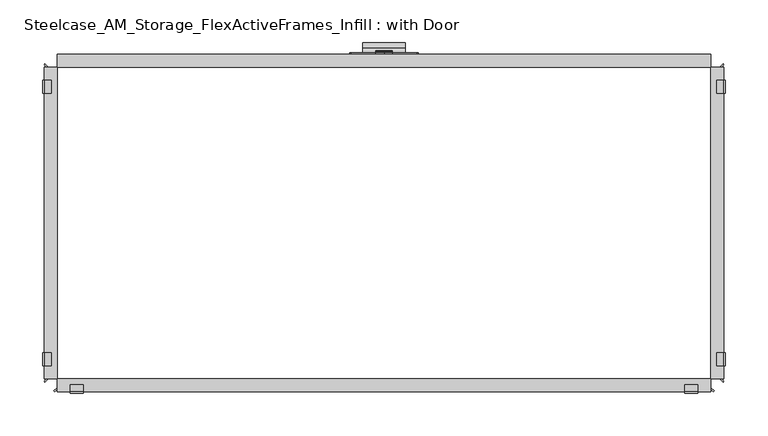
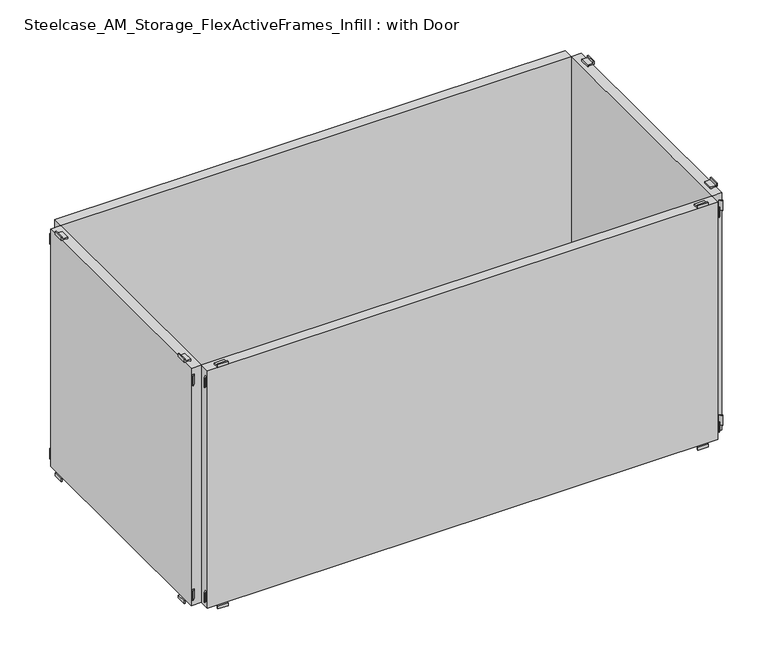
"""IFC4 building model written with IfcOpenShell, lengths in millimetres: furniture geometry, Steelcase_AM_Storage_FlexActiveFrames_Infill : with Door."""

from ifc_helpers import new_model, si_unit, point, frame, frame_2d, origin, place, context, project, spatial, polyline, circle_curve, trimmed, segment, composite_curve, outline, extrude, source, transform, mapped, element, save
from ifc_brep_helpers import plane_surface, cylinder_surface, revolved_surface, advanced_brep


def steelcase_am_storage_flexactiveframes_infill_with_door_a433a0ef(model_context):
    return source(origin(), model_context, "Body", "SolidModel", [
        extrude(outline(composite_curve([segment(polyline([(152.5718006, 396.8746488), (150.3317189, 396.8746488)]), True, "CONTINUOUS"), segment(trimmed(circle_curve(frame_2d((150.3317189, 398.3986488)), 1.524), [point((150.3317189, 396.8746488))], [point((148.8077189, 398.3986488))], False, "CARTESIAN"), True, "CONTINUOUS"), segment(polyline([(148.8077189, 398.3986488), (148.8077189, 401.7013512)]), True, "CONTINUOUS"), segment(trimmed(circle_curve(frame_2d((150.3317189, 401.7013512)), 1.524), [point((148.8077189, 401.7013512))], [point((150.3317189, 403.2253512))], False, "CARTESIAN"), True, "CONTINUOUS"), segment(polyline([(150.3317189, 403.2253512), (152.5718006, 403.2253512)]), True, "CONTINUOUS"), segment(trimmed(circle_curve(frame_2d((161.5079853, 400.05)), 9.4835781), [point((152.5718006, 403.2253512))], [point((170.4441701, 403.2253512))], False, "CARTESIAN"), True, "CONTINUOUS"), segment(polyline([(170.4441701, 403.2253512), (172.6842518, 403.2253512)]), True, "CONTINUOUS"), segment(trimmed(circle_curve(frame_2d((172.6842518, 401.7013512)), 1.524), [point((172.6842518, 403.2253512))], [point((174.2082518, 401.7013512))], False, "CARTESIAN"), True, "CONTINUOUS"), segment(polyline([(174.2082518, 401.7013512), (174.2082518, 398.3986488)]), True, "CONTINUOUS"), segment(trimmed(circle_curve(frame_2d((172.6842518, 398.3986488)), 1.524), [point((174.2082518, 398.3986488))], [point((172.6842518, 396.8746488))], False, "CARTESIAN"), True, "CONTINUOUS"), segment(polyline([(172.6842518, 396.8746488), (170.4441701, 396.8746488)]), True, "CONTINUOUS"), segment(trimmed(circle_curve(frame_2d((161.5079853, 400.05)), 9.4835781), [point((170.4441701, 396.8746488))], [point((152.5718006, 396.8746488))], False, "CARTESIAN"), True, "CONTINUOUS")], self_intersect=False)), frame((0.0, 400.6849803, 0.0), z_axis=(0.0, 1.0, 0.0), x_axis=(0.0, 0.0, 1.0)), (0.0, 0.0, 1.0), 0.762),
        advanced_brep(
        [(400.05, 397.51, 151.1069002), (400.05, 397.51, 161.5079853), (400.05, 397.51, 171.9090704), (400.05, 399.0335313, 152.3124153), (400.05, 399.0335313, 170.7035554), (400.05, 399.0335313, 155.2647804), (400.05, 399.0335313, 167.7511903), (400.05, 399.7959797, 152.0244072), (400.05, 399.7959797, 170.9915634), (400.05, 400.6849803, 152.0244072), (400.05, 400.6849803, 170.9915634), (400.05, 400.6849803, 161.5079853)],
        [
            (0, 1),
            (1, 2),
            (2, 0, circle_curve(frame((400.05, 397.51, 161.5079853), z_axis=(0.0, -1.0, 0.0), x_axis=(0.0, 0.0, 1.0)), 10.4010851)),
            (0, 2, circle_curve(frame((400.05, 397.51, 161.5079853), z_axis=(0.0, -1.0, 0.0), x_axis=(0.0, 0.0, 1.0)), 10.4010851)),
            (3, 0),
            (2, 4),
            (4, 3, circle_curve(frame((400.05, 399.0335313, 161.5079853), z_axis=(0.0, -1.0, 0.0), x_axis=(0.0, 0.0, 1.0)), 9.19557)),
            (3, 4, circle_curve(frame((400.05, 399.0335313, 161.5079853), z_axis=(0.0, -1.0, 0.0), x_axis=(0.0, 0.0, 1.0)), 9.19557)),
            (5, 3),
            (4, 6),
            (6, 5, circle_curve(frame((400.05, 399.0335313, 161.5079853), z_axis=(0.0, -1.0, 0.0), x_axis=(0.0, 0.0, 1.0)), 6.243205)),
            (5, 6, circle_curve(frame((400.05, 399.0335313, 161.5079853), z_axis=(0.0, -1.0, 0.0), x_axis=(0.0, 0.0, 1.0)), 6.243205)),
            (7, 5),
            (6, 8),
            (8, 7, circle_curve(frame((400.05, 399.7959797, 161.5079853), z_axis=(0.0, -1.0, 0.0), x_axis=(0.0, 0.0, 1.0)), 9.4835781)),
            (7, 8, circle_curve(frame((400.05, 399.7959797, 161.5079853), z_axis=(0.0, -1.0, 0.0), x_axis=(0.0, 0.0, 1.0)), 9.4835781)),
            (9, 7),
            (8, 10),
            (10, 9, circle_curve(frame((400.05, 400.6849803, 161.5079853), z_axis=(0.0, -1.0, 0.0), x_axis=(0.0, 0.0, 1.0)), 9.4835781)),
            (9, 10, circle_curve(frame((400.05, 400.6849803, 161.5079853), z_axis=(0.0, -1.0, 0.0), x_axis=(0.0, 0.0, 1.0)), 9.4835781)),
            (11, 9),
            (10, 11),
        ],
        [
            plane_surface(frame((400.05, 397.51, 161.5079853), z_axis=(0.0, -1.0, 0.0), x_axis=(0.0, 0.0, 1.0))),
            revolved_surface(polyline([(400.05, 397.51, 171.9090704), (400.05, 399.0335313, 170.7035554)]), (400.05, 386.0294251, 161.5079853), (0.0, 1.0, 0.0)),
            plane_surface(frame((400.05, 399.0335313, 161.5079853), z_axis=(0.0, 1.0, 0.0), x_axis=(0.0, 0.0, 1.0))),
            revolved_surface(polyline([(400.05, 399.0335313, 167.7511903), (400.05, 399.7959797, 170.9915634)]), (400.05, 386.0294251, 161.5079853), (0.0, 1.0, 0.0)),
            cylinder_surface(frame((400.05, 386.0294251, 161.5079853), z_axis=(0.0, 1.0, 0.0), x_axis=(0.0, 0.0, 1.0)), 9.4835781),
            plane_surface(frame((400.05, 400.6849803, 161.5079853), z_axis=(0.0, 1.0, 0.0), x_axis=(0.0, 0.0, 1.0))),
        ],
        [
            (0, [[1, 2, 3]]),
            (0, [[-2, -1, 4]]),
            (1, [[5, -3, 6, 7]]),
            (1, [[-6, -4, -5, 8]]),
            (2, [[9, -7, 10, 11]]),
            (2, [[-10, -8, -9, 12]]),
            (3, [[13, -11, 14, 15]]),
            (3, [[-14, -12, -13, 16]]),
            (4, [[17, -15, 18, 19]]),
            (4, [[-18, -16, -17, 20]]),
            (5, [[21, -19, 22]]),
            (5, [[-22, -20, -21]]),
        ],
    ),
        advanced_brep(
        [(438.5254965, 399.034, 135.2296), (440.0494965, 399.034, 133.7056), (440.0494965, 399.034, 121.5136), (360.0494862, 399.034, 121.5136), (360.0494862, 399.034, 133.7056), (361.5734862, 399.034, 135.2296), (438.5254965, 397.51, 135.2296), (361.5734862, 397.51, 135.2296), (360.0494862, 397.51, 133.7056), (360.0494862, 397.51, 121.5136), (440.0494965, 397.51, 121.5136), (440.0494965, 397.51, 133.7056), (360.0494862, 397.51, 119.9896), (360.0494862, 382.27, 119.9896), (360.0494862, 382.27, 121.5136), (440.0494965, 382.27, 121.5136), (440.0494965, 382.27, 119.9896), (440.0494965, 397.51, 119.9896)],
        [
            (0, 1, circle_curve(frame((438.5254965, 399.034, 133.7056), z_axis=(0.0, 1.0, 0.0), x_axis=(1.0, 0.0, 0.0)), 1.524)),
            (1, 2),
            (2, 3),
            (3, 4),
            (4, 5, circle_curve(frame((361.5734862, 399.034, 133.7056), z_axis=(0.0, 1.0, 0.0), x_axis=(1.0, 0.0, 0.0)), 1.524)),
            (5, 0),
            (6, 7),
            (7, 8, circle_curve(frame((361.5734862, 397.51, 133.7056), z_axis=(0.0, -1.0, 0.0), x_axis=(1.0, 0.0, 0.0)), 1.524)),
            (8, 9),
            (9, 10),
            (10, 11),
            (11, 6, circle_curve(frame((438.5254965, 397.51, 133.7056), z_axis=(0.0, -1.0, 0.0), x_axis=(1.0, 0.0, 0.0)), 1.524)),
            (5, 7),
            (6, 0),
            (4, 8),
            (3, 12, circle_curve(frame((360.0494862, 397.51, 121.5136), z_axis=(-1.0, 0.0, 0.0), x_axis=(0.0, -1.0, 0.0)), 1.524)),
            (12, 13),
            (13, 14),
            (14, 9),
            (1, 11),
            (10, 15),
            (15, 16),
            (16, 17),
            (17, 2, circle_curve(frame((440.0494965, 397.51, 121.5136), z_axis=(1.0, 0.0, 0.0), x_axis=(0.0, -1.0, 0.0)), 1.524)),
            (16, 13),
            (12, 17),
            (15, 14),
        ],
        [
            plane_surface(frame((361.5734862, 399.034, 135.2296), z_axis=(0.0, 1.0, 0.0), x_axis=(-1.0, 0.0, 0.0))),
            plane_surface(frame((361.5734862, 397.51, 135.2296), z_axis=(0.0, -1.0, 0.0), x_axis=(1.0, 0.0, 0.0))),
            plane_surface(frame((438.5254965, 399.034, 135.2296), z_axis=(0.0, 0.0, 1.0), x_axis=(0.0, -1.0, 0.0))),
            cylinder_surface(frame((361.5734862, 397.51, 133.7056), z_axis=(0.0, 1.0, 0.0), x_axis=(1.0, 0.0, 0.0)), 1.524),
            plane_surface(frame((360.0494862, 399.034, 133.7056), z_axis=(-1.0, 0.0, 0.0), x_axis=(0.0, -1.0, 0.0))),
            plane_surface(frame((440.0494965, 399.034, 123.0376), z_axis=(1.0, 0.0, 0.0), x_axis=(0.0, -1.0, 0.0))),
            cylinder_surface(frame((438.5254965, 397.51, 133.7056), z_axis=(0.0, 1.0, 0.0), x_axis=(1.0, 0.0, 0.0)), 1.524),
            plane_surface(frame((440.0494965, 397.51, 119.9896), z_axis=(0.0, 0.0, -1.0), x_axis=(-1.0, 0.0, 0.0))),
            plane_surface(frame((440.0494965, 382.27, 119.9896), z_axis=(0.0, -1.0, 0.0), x_axis=(-1.0, 0.0, 0.0))),
            plane_surface(frame((440.0494965, 382.27, 121.5136), z_axis=(0.0, 0.0, 1.0), x_axis=(-1.0, 0.0, 0.0))),
            cylinder_surface(frame((360.0494862, 397.51, 121.5136), z_axis=(1.0, 0.0, 0.0), x_axis=(0.0, -1.0, 0.0)), 1.524),
        ],
        [
            (0, [[1, 2, 3, 4, 5, 6]]),
            (1, [[7, 8, 9, 10, 11, 12]]),
            (2, [[13, -7, 14, -6]]),
            (3, [[15, -8, -13, -5]]),
            (4, [[16, 17, 18, 19, -9, -15, -4]]),
            (5, [[20, -11, 21, 22, 23, 24, -2]]),
            (6, [[-14, -12, -20, -1]]),
            (7, [[25, -17, 26, -23]]),
            (8, [[27, -18, -25, -22]]),
            (9, [[-10, -19, -27, -21]]),
            (10, [[-26, -16, -3, -24]]),
        ],
    ),
        extrude(outline(composite_curve([segment(polyline([(399.034, 129.7528311), (399.034, 131.6608068)]), True, "CONTINUOUS"), segment(trimmed(circle_curve(frame_2d((399.3330542, 125.2742816)), 6.3935231), [point((399.034, 131.6608068))], [point((404.4176446, 129.1503721))], False, "CARTESIAN"), True, "CONTINUOUS"), segment(trimmed(circle_curve(frame_2d((376.5973715, 107.9423915)), 34.9820816), [point((404.4176446, 129.1503721))], [point((410.6266598, 116.0512493))], False, "CARTESIAN"), True, "CONTINUOUS"), segment(trimmed(circle_curve(frame_2d((405.3950826, 114.8046139)), 5.3780573), [point((410.6266598, 116.0512493))], [point((406.1001071, 109.4729687))], False, "CARTESIAN"), True, "CONTINUOUS"), segment(trimmed(circle_curve(frame_2d((405.7469426, 112.1437242)), 2.6940045), [point((406.1001071, 109.4729687))], [point((403.4639399, 110.7134937))], False, "CARTESIAN"), True, "CONTINUOUS"), segment(trimmed(circle_curve(frame_2d((432.7352012, 129.0510324)), 34.5408752), [point((403.4639399, 110.7134937))], [point((399.5684276, 119.4054535))], False, "CARTESIAN"), True, "CONTINUOUS"), segment(trimmed(circle_curve(frame_2d((403.0105921, 120.4065056)), 3.5847736), [point((399.5684276, 119.4054535))], [point((400.5300937, 122.9945028))], False, "CARTESIAN"), True, "CONTINUOUS"), segment(trimmed(circle_curve(frame_2d((399.159917, 124.4240597)), 1.9801559), [point((400.5300937, 122.9945028))], [point((399.034, 126.400208))], True, "CARTESIAN"), True, "CONTINUOUS"), segment(polyline([(399.034, 126.400208), (399.034, 128.3071746)]), True, "CONTINUOUS"), segment(trimmed(circle_curve(frame_2d((399.159917, 124.4240597)), 3.8851559), [point((399.034, 128.3071746))], [point((401.8482661, 121.6192041))], False, "CARTESIAN"), True, "CONTINUOUS"), segment(trimmed(circle_curve(frame_2d((403.0105921, 120.4065056)), 1.6797736), [point((401.8482661, 121.6192041))], [point((401.3976431, 119.9374269))], True, "CARTESIAN"), True, "CONTINUOUS"), segment(trimmed(circle_curve(frame_2d((432.7352012, 129.0510324)), 32.6358752), [point((401.3976431, 119.9374269))], [point((405.0783099, 111.7248465))], True, "CARTESIAN"), True, "CONTINUOUS"), segment(trimmed(circle_curve(frame_2d((405.7469426, 112.1437242)), 0.7890045), [point((405.0783099, 111.7248465))], [point((405.8503754, 111.3615287))], True, "CARTESIAN"), True, "CONTINUOUS"), segment(trimmed(circle_curve(frame_2d((405.3950826, 114.8046139)), 3.4730573), [point((405.8503754, 111.3615287))], [point((408.7735456, 115.6096697))], True, "CARTESIAN"), True, "CONTINUOUS"), segment(trimmed(circle_curve(frame_2d((376.5973715, 107.9423915)), 33.0770816), [point((408.7735456, 115.6096697))], [point((402.9026513, 127.9954607))], True, "CARTESIAN"), True, "CONTINUOUS"), segment(trimmed(circle_curve(frame_2d((399.3330542, 125.2742816)), 4.4885231), [point((402.9026513, 127.9954607))], [point((399.034, 129.7528311))], True, "CARTESIAN"), True, "CONTINUOUS")], self_intersect=False)), frame((375.0708803, 0.0, 0.0), z_axis=(1.0, 0.0, 0.0), x_axis=(0.0, 1.0, 0.0)), (0.0, 0.0, 1.0), 49.9787862),
        extrude(outline(polyline([(782.32, 397.51), (782.32, 382.27), (17.78, 382.27), (17.78, 397.51), (782.32, 397.51)])), frame((0.0, 0.0, 121.5136), z_axis=(0.0, 0.0, 1.0), x_axis=(1.0, 0.0, 0.0)), (0.0, 0.0, 1.0), 375.92),
        extrude(outline(polyline([(794.8923586, 382.27), (792.7370971, 382.27), (796.4697138, 386.0026167), (797.5473445, 384.924986), (794.8923586, 382.27)])), frame((0.0, 0.0, 472.0336), z_axis=(0.0, 0.0, 1.0), x_axis=(1.0, 0.0, 0.0)), (0.0, 0.0, 1.0), 15.24),
        extrude(outline(polyline([(794.8923586, 17.78), (797.5473445, 15.125014), (796.4697138, 14.0473833), (792.7370971, 17.78), (794.8923586, 17.78)])), frame((0.0, 0.0, 472.0336), z_axis=(0.0, 0.0, 1.0), x_axis=(1.0, 0.0, 0.0)), (0.0, 0.0, 1.0), 15.24),
        extrude(outline(polyline([(794.8923586, 382.27), (792.7370971, 382.27), (796.4697138, 386.0026167), (797.5473445, 384.924986), (794.8923586, 382.27)])), frame((0.0, 0.0, 131.6736), z_axis=(0.0, 0.0, 1.0), x_axis=(1.0, 0.0, 0.0)), (0.0, 0.0, 1.0), 15.24),
        extrude(outline(polyline([(794.8923586, 17.78), (797.5473445, 15.125014), (796.4697138, 14.0473833), (792.7370971, 17.78), (794.8923586, 17.78)])), frame((0.0, 0.0, 131.6736), z_axis=(0.0, 0.0, 1.0), x_axis=(1.0, 0.0, 0.0)), (0.0, 0.0, 1.0), 15.24),
        extrude(outline(polyline([(503.0770636, 797.56), (499.9736, 797.56), (499.9736, 789.178), (497.4336, 789.178), (497.4336, 790.702), (498.4496, 790.702), (498.4496, 799.084), (503.0770636, 799.084), (503.0770636, 797.56)])), frame((0.0, 33.02, 0.0), z_axis=(0.0, 1.0, 0.0), x_axis=(0.0, 0.0, 1.0)), (0.0, 0.0, 1.0), 15.24),
        extrude(outline(polyline([(115.8701364, 797.56), (115.8701364, 799.084), (120.4976, 799.084), (120.4976, 790.702), (121.5136, 790.702), (121.5136, 789.178), (118.9736, 789.178), (118.9736, 797.56), (115.8701364, 797.56)])), frame((0.0, 33.02, 0.0), z_axis=(0.0, 1.0, 0.0), x_axis=(0.0, 0.0, 1.0)), (0.0, 0.0, 1.0), 15.24),
        extrude(outline(polyline([(503.0770636, 797.56), (499.9736, 797.56), (499.9736, 789.178), (497.4336, 789.178), (497.4336, 790.702), (498.4496, 790.702), (498.4496, 799.084), (503.0770636, 799.084), (503.0770636, 797.56)])), frame((0.0, 351.79, 0.0), z_axis=(0.0, 1.0, 0.0), x_axis=(0.0, 0.0, 1.0)), (0.0, 0.0, 1.0), 15.24),
        extrude(outline(polyline([(115.8701364, 797.56), (115.8701364, 799.084), (120.4976, 799.084), (120.4976, 790.702), (121.5136, 790.702), (121.5136, 789.178), (118.9736, 789.178), (118.9736, 797.56), (115.8701364, 797.56)])), frame((0.0, 351.79, 0.0), z_axis=(0.0, 1.0, 0.0), x_axis=(0.0, 0.0, 1.0)), (0.0, 0.0, 1.0), 15.24),
        extrude(outline(polyline([(782.32, 17.78), (782.32, 382.27), (797.56, 382.27), (797.56, 17.78), (782.32, 17.78)])), frame((0.0, 0.0, 121.5136), z_axis=(0.0, 0.0, 1.0), x_axis=(1.0, 0.0, 0.0)), (0.0, 0.0, 1.0), 375.92),
        extrude(outline(polyline([(5.2076414, 382.27), (2.5526555, 384.924986), (3.6302862, 386.0026167), (7.3629029, 382.27), (5.2076414, 382.27)])), frame((0.0, 0.0, 472.0336), z_axis=(0.0, 0.0, 1.0), x_axis=(1.0, 0.0, 0.0)), (0.0, 0.0, 1.0), 15.24),
        extrude(outline(polyline([(5.2076414, 17.78), (7.3629029, 17.78), (3.6302862, 14.0473833), (2.5526555, 15.125014), (5.2076414, 17.78)])), frame((0.0, 0.0, 472.0336), z_axis=(0.0, 0.0, 1.0), x_axis=(1.0, 0.0, 0.0)), (0.0, 0.0, 1.0), 15.24),
        extrude(outline(polyline([(5.2076414, 382.27), (2.5526555, 384.924986), (3.6302862, 386.0026167), (7.3629029, 382.27), (5.2076414, 382.27)])), frame((0.0, 0.0, 131.6736), z_axis=(0.0, 0.0, 1.0), x_axis=(1.0, 0.0, 0.0)), (0.0, 0.0, 1.0), 15.24),
        extrude(outline(polyline([(5.2076414, 17.78), (7.3629029, 17.78), (3.6302862, 14.0473833), (2.5526555, 15.125014), (5.2076414, 17.78)])), frame((0.0, 0.0, 131.6736), z_axis=(0.0, 0.0, 1.0), x_axis=(1.0, 0.0, 0.0)), (0.0, 0.0, 1.0), 15.24),
        extrude(outline(polyline([(503.0770636, 2.54), (503.0770636, 1.016), (498.4496, 1.016), (498.4496, 9.398), (497.4336, 9.398), (497.4336, 10.922), (499.9736, 10.922), (499.9736, 2.54), (503.0770636, 2.54)])), frame((0.0, 33.02, 0.0), z_axis=(0.0, 1.0, 0.0), x_axis=(0.0, 0.0, 1.0)), (0.0, 0.0, 1.0), 15.24),
        extrude(outline(polyline([(115.8701364, 2.54), (118.9736, 2.54), (118.9736, 10.922), (121.5136, 10.922), (121.5136, 9.398), (120.4976, 9.398), (120.4976, 1.016), (115.8701364, 1.016), (115.8701364, 2.54)])), frame((0.0, 33.02, 0.0), z_axis=(0.0, 1.0, 0.0), x_axis=(0.0, 0.0, 1.0)), (0.0, 0.0, 1.0), 15.24),
        extrude(outline(polyline([(503.0770636, 2.54), (503.0770636, 1.016), (498.4496, 1.016), (498.4496, 9.398), (497.4336, 9.398), (497.4336, 10.922), (499.9736, 10.922), (499.9736, 2.54), (503.0770636, 2.54)])), frame((0.0, 351.79, 0.0), z_axis=(0.0, 1.0, 0.0), x_axis=(0.0, 0.0, 1.0)), (0.0, 0.0, 1.0), 15.24),
        extrude(outline(polyline([(115.8701364, 2.54), (118.9736, 2.54), (118.9736, 10.922), (121.5136, 10.922), (121.5136, 9.398), (120.4976, 9.398), (120.4976, 1.016), (115.8701364, 1.016), (115.8701364, 2.54)])), frame((0.0, 351.79, 0.0), z_axis=(0.0, 1.0, 0.0), x_axis=(0.0, 0.0, 1.0)), (0.0, 0.0, 1.0), 15.24),
        extrude(outline(polyline([(17.78, 17.78), (2.54, 17.78), (2.54, 382.27), (17.78, 382.27), (17.78, 17.78)])), frame((0.0, 0.0, 121.5136), z_axis=(0.0, 0.0, 1.0), x_axis=(1.0, 0.0, 0.0)), (0.0, 0.0, 1.0), 375.92),
        extrude(outline(polyline([(17.78, 5.2076414), (15.125014, 2.5526555), (14.0473833, 3.6302862), (17.78, 7.3629029), (17.78, 5.2076414)])), frame((0.0, 0.0, 472.0336), z_axis=(0.0, 0.0, 1.0), x_axis=(1.0, 0.0, 0.0)), (0.0, 0.0, 1.0), 15.24),
        extrude(outline(polyline([(782.32, 5.2076414), (782.32, 7.3629029), (786.0526167, 3.6302862), (784.974986, 2.5526555), (782.32, 5.2076414)])), frame((0.0, 0.0, 472.0336), z_axis=(0.0, 0.0, 1.0), x_axis=(1.0, 0.0, 0.0)), (0.0, 0.0, 1.0), 15.24),
        extrude(outline(polyline([(17.78, 5.2076414), (15.125014, 2.5526555), (14.0473833, 3.6302862), (17.78, 7.3629029), (17.78, 5.2076414)])), frame((0.0, 0.0, 131.6736), z_axis=(0.0, 0.0, 1.0), x_axis=(1.0, 0.0, 0.0)), (0.0, 0.0, 1.0), 15.24),
        extrude(outline(polyline([(782.32, 5.2076414), (782.32, 7.3629029), (786.0526167, 3.6302862), (784.974986, 2.5526555), (782.32, 5.2076414)])), frame((0.0, 0.0, 131.6736), z_axis=(0.0, 0.0, 1.0), x_axis=(1.0, 0.0, 0.0)), (0.0, 0.0, 1.0), 15.24),
        extrude(outline(polyline([(2.54, 503.0770636), (2.54, 499.9736), (10.922, 499.9736), (10.922, 497.4336), (9.398, 497.4336), (9.398, 498.4496), (1.016, 498.4496), (1.016, 503.0770636), (2.54, 503.0770636)])), frame((751.84, 0.0, 0.0), z_axis=(1.0, 0.0, 0.0), x_axis=(0.0, 1.0, 0.0)), (0.0, 0.0, 1.0), 15.24),
        extrude(outline(polyline([(2.54, 115.8701364), (1.016, 115.8701364), (1.016, 120.4976), (9.398, 120.4976), (9.398, 121.5136), (10.922, 121.5136), (10.922, 118.9736), (2.54, 118.9736), (2.54, 115.8701364)])), frame((751.84, 0.0, 0.0), z_axis=(1.0, 0.0, 0.0), x_axis=(0.0, 1.0, 0.0)), (0.0, 0.0, 1.0), 15.24),
        extrude(outline(polyline([(2.54, 503.0770636), (2.54, 499.9736), (10.922, 499.9736), (10.922, 497.4336), (9.398, 497.4336), (9.398, 498.4496), (1.016, 498.4496), (1.016, 503.0770636), (2.54, 503.0770636)])), frame((33.02, 0.0, 0.0), z_axis=(1.0, 0.0, 0.0), x_axis=(0.0, 1.0, 0.0)), (0.0, 0.0, 1.0), 15.24),
        extrude(outline(polyline([(2.54, 115.8701364), (1.016, 115.8701364), (1.016, 120.4976), (9.398, 120.4976), (9.398, 121.5136), (10.922, 121.5136), (10.922, 118.9736), (2.54, 118.9736), (2.54, 115.8701364)])), frame((33.02, 0.0, 0.0), z_axis=(1.0, 0.0, 0.0), x_axis=(0.0, 1.0, 0.0)), (0.0, 0.0, 1.0), 15.24),
        extrude(outline(polyline([(782.32, 17.78), (782.32, 2.54), (17.78, 2.54), (17.78, 17.78), (782.32, 17.78)])), frame((0.0, 0.0, 121.5136), z_axis=(0.0, 0.0, 1.0), x_axis=(1.0, 0.0, 0.0)), (0.0, 0.0, 1.0), 375.92),
    ])


if __name__ == "__main__":
    model = new_model("IFC4")
    model_context = context("Model", 3, world=origin())
    ifc_project = project(units=[si_unit("LENGTHUNIT", "METRE", prefix="MILLI")], contexts=[model_context])
    site = spatial("IfcSite", under=ifc_project)
    building = spatial("IfcBuilding", under=site)
    placement = place(None, origin())
    steelcase_am_storage_flexactiveframes_infill_with_door_shape = steelcase_am_storage_flexactiveframes_infill_with_door_a433a0ef(model_context)
    element("IfcFurniture", 1, ObjectType="Steelcase_AM_Storage_FlexActiveFrames_Infill : with Door", at=placement, inside=building, context=model_context, shape_type="MappedRepresentation", body=[
        mapped(steelcase_am_storage_flexactiveframes_infill_with_door_shape, transform((0.0, 0.0, 0.0), x_axis=(1.0, 0.0, 0.0), y_axis=(0.0, 1.0, 0.0), z_axis=(0.0, 0.0, 1.0))),
    ])
    save(model, "model.ifc")
